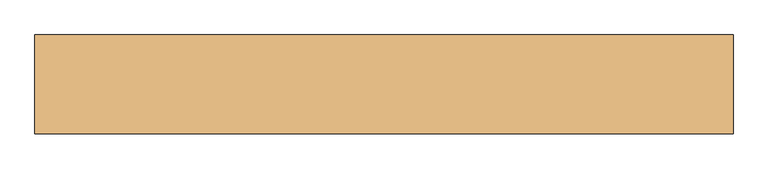
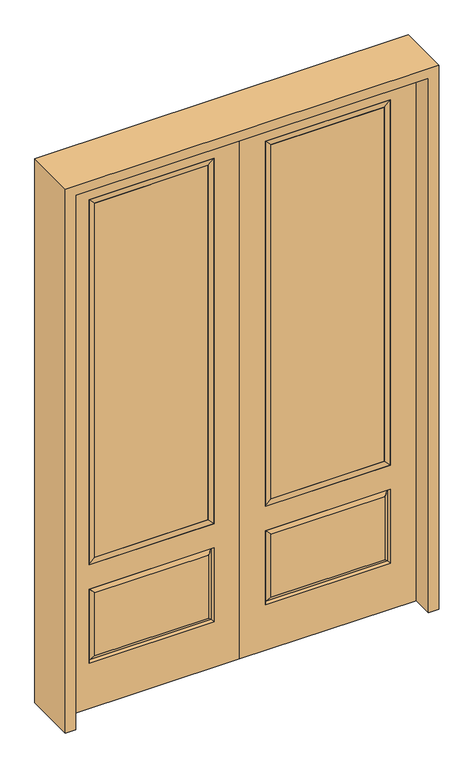
"""IFC4 building model written with IfcOpenShell, lengths in millimetres: door geometry."""

from ifc_helpers import new_model, si_unit, frame, origin, place, context, project, spatial, polyline, outline, extrude, faceted_brep, source, transform, mapped, element, save


def door_7e81f5a2(model_context):
    return source(origin(), model_context, "Body", "SolidModel", [
        extrude(outline(polyline([(136.525, -20.32), (136.525, 5.08), (625.475, 5.08), (625.475, -20.32), (136.525, -20.32)])), frame((0.0, 0.0, 682.498), z_axis=(0.0, 0.0, 1.0), x_axis=(1.0, 0.0, 0.0)), (0.0, 0.0, 1.0), 1616.202),
        faceted_brep([(643.7661499, -12.7912373, 216.6588501), (626.26875, -22.225, 234.15625), (135.73125, -22.225, 234.15625), (118.2338501, -12.7912373, 216.6588501), (111.125, -22.225, 209.55), (650.875, -22.225, 209.55), (650.875, -22.225, 546.1), (643.7661499, -12.7912373, 538.9911499), (0.0, -22.225, 2438.4), (0.0, -22.225, 0.0), (762.0, -22.225, 0.0), (762.0, -22.225, 2438.4), (111.125, -22.225, 546.1), (111.125, -22.225, 2324.1), (650.875, -22.225, 2324.1), (650.875, -22.225, 657.098), (111.125, -22.225, 657.098), (626.26875, -22.225, 521.49375), (135.73125, -22.225, 521.49375), (118.2338501, -12.7912373, 538.9911499), (762.0, 22.225, 0.0), (762.0, 22.225, 2438.4), (0.0, 22.225, 0.0), (0.0, 22.225, 2438.4), (111.125, 22.225, 657.098), (111.125, 22.225, 2324.1), (650.875, 22.225, 657.098), (650.875, 22.225, 2324.1), (135.73125, 22.225, 234.15625), (135.73125, 22.225, 521.49375), (626.26875, 22.225, 521.49375), (626.26875, 22.225, 234.15625), (650.875, 22.225, 209.55), (650.875, 22.225, 546.1), (111.125, 22.225, 546.1), (111.125, 22.225, 209.55), (118.2338501, 12.7912373, 216.6588501), (643.7661499, 12.7912373, 216.6588501), (118.2338501, 12.7912373, 538.9911499), (643.7661499, 12.7912373, 538.9911499)], [[[0, 1, 2, 3]], [[3, 4, 5, 0]], [[5, 6, 7, 0]], [[8, 9, 10, 11], [4, 12, 6, 5], [13, 14, 15, 16]], [[1, 17, 18, 2]], [[3, 19, 12, 4]], [[2, 18, 19, 3]], [[0, 7, 17, 1]], [[6, 12, 19, 7]], [[7, 19, 18, 17]], [[10, 20, 21, 11]], [[9, 22, 20, 10]], [[8, 23, 22, 9]], [[16, 24, 25, 13]], [[15, 26, 24, 16]], [[14, 27, 26, 15]], [[28, 29, 30, 31]], [[23, 21, 20, 22], [25, 24, 26, 27], [32, 33, 34, 35]], [[32, 35, 36, 37]], [[35, 34, 38, 36]], [[39, 38, 34, 33]], [[37, 39, 33, 32]], [[36, 28, 31, 37]], [[31, 30, 39, 37]], [[30, 29, 38, 39]], [[36, 38, 29, 28]], [[11, 21, 23, 8]], [[13, 25, 27, 14]]]),
        faceted_brep([(650.875, -22.225, 2324.1), (650.875, -22.225, 657.098), (650.875, 22.225, 657.098), (650.875, 22.225, 2324.1), (111.125, -22.225, 657.098), (111.125, 22.225, 657.098), (136.525, 5.08, 682.498), (625.475, 5.08, 682.498), (111.125, -22.225, 2324.1), (111.125, 22.225, 2324.1), (625.475, -20.32, 682.498), (136.525, -20.32, 682.498), (625.475, -20.32, 2298.7), (136.525, -20.32, 2298.7), (625.475, 5.08, 2298.7), (136.525, 5.08, 2298.7)], [[[0, 1, 2, 3]], [[1, 4, 5, 2]], [[2, 5, 6, 7]], [[4, 8, 9, 5]], [[10, 11, 4, 1]], [[12, 10, 1, 0]], [[11, 13, 8, 4]], [[7, 6, 11, 10]], [[14, 7, 10, 12]], [[6, 15, 13, 11]], [[3, 2, 7, 14]], [[5, 9, 15, 6]], [[8, 0, 3, 9]], [[13, 12, 0, 8]], [[15, 14, 12, 13]], [[9, 3, 14, 15]]]),
        extrude(outline(polyline([(-136.525, -20.32), (-625.475, -20.32), (-625.475, 5.08), (-136.525, 5.08), (-136.525, -20.32)])), frame((0.0, 0.0, 682.498), z_axis=(0.0, 0.0, 1.0), x_axis=(1.0, 0.0, 0.0)), (0.0, 0.0, 1.0), 1616.202),
        faceted_brep([(-643.7661499, -12.7912373, 216.6588501), (-118.2338501, -12.7912373, 216.6588501), (-135.73125, -22.225, 234.15625), (-626.26875, -22.225, 234.15625), (-650.875, -22.225, 209.55), (-111.125, -22.225, 209.55), (-643.7661499, -12.7912373, 538.9911499), (-650.875, -22.225, 546.1), (-135.73125, -22.225, 521.49375), (-626.26875, -22.225, 521.49375), (0.0, -22.225, 2438.4), (-762.0, -22.225, 2438.4), (-762.0, -22.225, 0.0), (0.0, -22.225, 0.0), (-111.125, -22.225, 546.1), (-111.125, -22.225, 2324.1), (-111.125, -22.225, 657.098), (-650.875, -22.225, 657.098), (-650.875, -22.225, 2324.1), (-118.2338501, -12.7912373, 538.9911499), (-762.0, 22.225, 2438.4), (-762.0, 22.225, 0.0), (0.0, 22.225, 0.0), (0.0, 22.225, 2438.4), (-111.125, 22.225, 2324.1), (-111.125, 22.225, 657.098), (-650.875, 22.225, 657.098), (-650.875, 22.225, 2324.1), (-650.875, 22.225, 209.55), (-111.125, 22.225, 209.55), (-111.125, 22.225, 546.1), (-650.875, 22.225, 546.1), (-135.73125, 22.225, 234.15625), (-626.26875, 22.225, 234.15625), (-626.26875, 22.225, 521.49375), (-135.73125, 22.225, 521.49375), (-643.7661499, 12.7912373, 216.6588501), (-118.2338501, 12.7912373, 216.6588501), (-118.2338501, 12.7912373, 538.9911499), (-643.7661499, 12.7912373, 538.9911499)], [[[0, 1, 2, 3]], [[1, 0, 4, 5]], [[4, 0, 6, 7]], [[3, 2, 8, 9]], [[10, 11, 12, 13], [5, 4, 7, 14], [15, 16, 17, 18]], [[1, 5, 14, 19]], [[2, 1, 19, 8]], [[0, 3, 9, 6]], [[7, 6, 19, 14]], [[6, 9, 8, 19]], [[12, 11, 20, 21]], [[13, 12, 21, 22]], [[10, 13, 22, 23]], [[16, 15, 24, 25]], [[17, 16, 25, 26]], [[18, 17, 26, 27]], [[23, 22, 21, 20], [28, 29, 30, 31], [24, 27, 26, 25]], [[32, 33, 34, 35]], [[28, 36, 37, 29]], [[29, 37, 38, 30]], [[39, 31, 30, 38]], [[36, 28, 31, 39]], [[37, 36, 33, 32]], [[33, 36, 39, 34]], [[34, 39, 38, 35]], [[37, 32, 35, 38]], [[11, 10, 23, 20]], [[15, 18, 27, 24]]]),
        faceted_brep([(-650.875, -22.225, 2324.1), (-650.875, 22.225, 2324.1), (-650.875, 22.225, 657.098), (-650.875, -22.225, 657.098), (-111.125, 22.225, 657.098), (-111.125, -22.225, 657.098), (-625.475, 5.08, 682.498), (-136.525, 5.08, 682.498), (-111.125, 22.225, 2324.1), (-111.125, -22.225, 2324.1), (-625.475, -20.32, 682.498), (-136.525, -20.32, 682.498), (-625.475, -20.32, 2298.7), (-136.525, -20.32, 2298.7), (-625.475, 5.08, 2298.7), (-136.525, 5.08, 2298.7)], [[[0, 1, 2, 3]], [[3, 2, 4, 5]], [[2, 6, 7, 4]], [[5, 4, 8, 9]], [[10, 3, 5, 11]], [[12, 0, 3, 10]], [[11, 5, 9, 13]], [[6, 10, 11, 7]], [[14, 12, 10, 6]], [[7, 11, 13, 15]], [[1, 14, 6, 2]], [[4, 7, 15, 8]], [[9, 8, 1, 0]], [[13, 9, 0, 12]], [[15, 13, 12, 14]], [[8, 15, 14, 1]]]),
        extrude(outline(polyline([(2482.85, -806.45), (0.0, -806.45), (0.0, -762.0), (2438.4, -762.0), (2438.4, 762.0), (0.0, 762.0), (0.0, 806.45), (2482.85, 806.45), (2482.85, -806.45)])), frame((0.0, -114.3, 0.0), z_axis=(0.0, 1.0, 0.0), x_axis=(0.0, 0.0, 1.0)), (0.0, 0.0, 1.0), 228.6),
    ])


if __name__ == "__main__":
    model = new_model("IFC4")
    model_context = context("Model", 3, world=origin())
    ifc_project = project(units=[si_unit("LENGTHUNIT", "METRE", prefix="MILLI")], contexts=[model_context])
    site = spatial("IfcSite", under=ifc_project)
    building = spatial("IfcBuilding", under=site)
    placement = place(None, origin())
    door_shape = door_7e81f5a2(model_context)
    element("IfcDoor", 1, at=placement, inside=building, context=model_context, shape_type="MappedRepresentation", body=[
        mapped(door_shape, transform((0.0, 0.0, 0.0), x_axis=(1.0, 0.0, 0.0), y_axis=(0.0, 1.0, 0.0), z_axis=(0.0, 0.0, 1.0))),
    ])
    save(model, "model.ifc")
